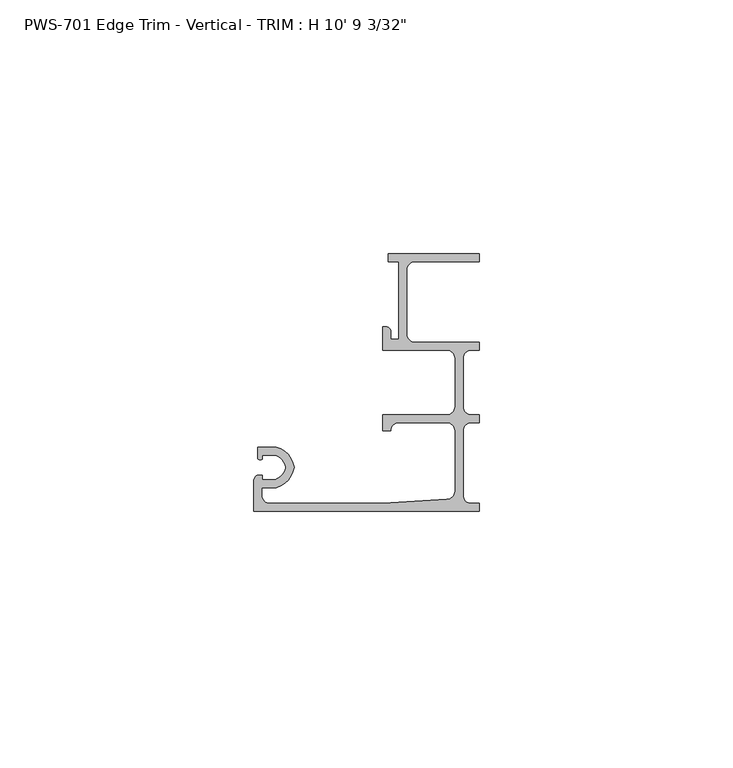
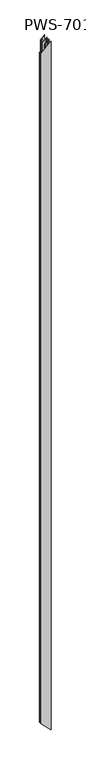
"""IFC4 building model written with IfcOpenShell, lengths in millimetres: proxy geometry."""

from ifc_helpers import new_model, si_unit, frame, origin, place, context, project, spatial, polyline, ellipse_curve, source, transform, mapped, element, save
from ifc_brep_helpers import plane_surface, cylinder_surface, revolved_surface, advanced_brep


def proxy_0ac21147(model_context):
    return source(origin(), model_context, "Body", "AdvancedBrep", [
        advanced_brep(
        [(26.9875, 15.875, 3261.51875), (26.9875, 15.875, 17.4625), (28.575, 17.4625, 15.875), (28.575, 17.4625, 3263.10625), (38.1, 17.4625, 6.35), (38.1, 17.4625, 3272.63125), (39.6875, 15.875, 4.7625), (39.6875, 15.875, 3274.21875), (39.6875, 3.97002, 4.7625), (39.6875, 3.97002, 3274.21875), (38.1, 2.38252, 6.35), (38.1, 2.38252, 3272.63125), (25.4, 1.5875, 19.05), (25.4, 1.5875, 3259.93125), (3.175, 1.5875, 41.275), (3.175, 1.5875, 3237.70625), (1.5875, 3.175, 42.8625), (1.5875, 3.175, 3236.11875), (1.5875, 4.699, 42.8625), (1.5875, 4.699, 3236.11875), (4.4357599, 4.699, 40.0142401), (4.4357599, 4.699, 3238.9670099), (7.9585261, 8.6995, 36.4914739), (7.9585261, 8.6995, 3242.4897761), (4.4357599, 12.7, 40.0142401), (4.4357599, 12.7, 3238.9670099), (0.762, 12.7, 43.688), (0.762, 12.7, 3235.29325), (0.762, 10.3627194, 43.688), (0.762, 10.3627194, 3235.29325), (1.6997088, 10.2659469, 42.7502912), (1.6997088, 10.2659469, 3236.2309588), (1.6997088, 11.1125, 42.7502912), (1.6997088, 11.1125, 3236.2309588), (4.207924, 11.1125, 40.242076), (4.207924, 11.1125, 3238.739174), (6.35, 8.6995, 38.1), (6.35, 8.6995, 3240.88125), (4.207924, 6.2865, 40.242076), (4.207924, 6.2865, 3238.739174), (1.6997088, 6.2865, 42.7502912), (1.6997088, 6.2865, 3236.2309588), (1.6997088, 7.1755, 42.7502912), (1.6997088, 7.1755, 3236.2309588), (0.9083659, 7.1755, 43.5416341), (0.9083659, 7.1755, 3235.4396159), (0.0, 6.0569064, 44.45), (0.0, 6.0569064, 3234.53125), (0.0, 0.0, 44.45), (0.0, 0.0, 3234.53125), (44.45, 0.0, 0.0), (44.45, 0.0, 3278.98125), (44.45, 1.5875, 0.0), (44.45, 1.5875, 3278.98125), (42.8625, 1.5875, 1.5875), (42.8625, 1.5875, 3277.39375), (41.275, 3.175, 3.175), (41.275, 3.175, 3275.80625), (41.275, 15.875, 3.175), (41.275, 15.875, 3275.80625), (42.8625, 17.4625, 1.5875), (42.8625, 17.4625, 3277.39375), (44.45, 17.4625, 0.0), (44.45, 17.4625, 3278.98125), (44.45, 19.05, 0.0), (44.45, 19.05, 3278.98125), (42.8625, 19.05, 1.5875), (42.8625, 19.05, 3277.39375), (41.275, 20.6375, 3.175), (41.275, 20.6375, 3275.80625), (41.275, 30.1625, 3.175), (41.275, 30.1625, 3275.80625), (42.8625, 31.75, 1.5875), (42.8625, 31.75, 3277.39375), (44.45, 31.75, 0.0), (44.45, 31.75, 3278.98125), (44.45, 33.3375, 0.0), (44.45, 33.3375, 3278.98125), (31.75, 33.3375, 12.7), (31.75, 33.3375, 3266.28125), (30.1625, 34.925, 14.2875), (30.1625, 34.925, 3264.69375), (30.1625, 47.625, 14.2875), (30.1625, 47.625, 3264.69375), (31.75, 49.2125, 12.7), (31.75, 49.2125, 3266.28125), (44.45, 49.2125, 0.0), (44.45, 49.2125, 3278.98125), (44.45, 50.8, 0.0), (44.45, 50.8, 3278.98125), (26.543, 50.8, 17.907), (26.543, 50.8, 3261.07425), (26.543, 49.2125, 17.907), (26.543, 49.2125, 3261.07425), (28.575, 49.2125, 15.875), (28.575, 49.2125, 3263.10625), (28.575, 33.9725, 15.875), (28.575, 33.9725, 3263.10625), (26.9875, 33.9725, 17.4625), (26.9875, 33.9725, 3261.51875), (26.9875, 35.55873, 17.4625), (26.9875, 35.55873, 3261.51875), (26.19248, 36.35375, 18.25752), (26.19248, 36.35375, 3260.72373), (25.4, 36.35375, 19.05), (25.4, 36.35375, 3259.93125), (25.4, 31.75, 19.05), (25.4, 31.75, 3259.93125), (38.1, 31.75, 6.35), (38.1, 31.75, 3272.63125), (39.6875, 30.1625, 4.7625), (39.6875, 30.1625, 3274.21875), (39.6875, 20.6375, 4.7625), (39.6875, 20.6375, 3274.21875), (38.1, 19.05, 6.35), (38.1, 19.05, 3272.63125), (25.4, 19.05, 19.05), (25.4, 19.05, 3259.93125), (25.4, 15.875, 19.05), (25.4, 15.875, 3259.93125)],
        [
            (0, 1),
            (1, 2, ellipse_curve(frame((28.575, 15.875, 15.875), z_axis=(-0.7071067811865491, 0.0, -0.7071067811865459), x_axis=(0.7071067811865459, 0.0, -0.707106781186549)), 2.245064, 1.5875)),
            (2, 3),
            (3, 0, ellipse_curve(frame((28.575, 15.875, 3263.10625), z_axis=(-0.7071067811865449, 0.0, 0.7071067811865501), x_axis=(-0.7071067811865501, 0.0, -0.7071067811865449)), 2.245064, 1.5875)),
            (2, 4),
            (4, 5),
            (5, 3),
            (4, 6, ellipse_curve(frame((38.1, 15.875, 6.35), z_axis=(-0.7071067811865491, 0.0, -0.7071067811865459), x_axis=(0.7071067811865459, 0.0, -0.707106781186549)), 2.245064, 1.5875)),
            (6, 7),
            (7, 5, ellipse_curve(frame((38.1, 15.875, 3272.63125), z_axis=(-0.7071067811865449, 0.0, 0.7071067811865501), x_axis=(-0.7071067811865501, 0.0, -0.7071067811865449)), 2.245064, 1.5875)),
            (6, 8),
            (8, 9),
            (9, 7),
            (8, 10, ellipse_curve(frame((38.1, 3.97002, 6.35), z_axis=(-0.7071067811865491, 0.0, -0.7071067811865459), x_axis=(0.7071067811865459, 0.0, -0.707106781186549)), 2.245064, 1.5875)),
            (10, 11),
            (11, 9, ellipse_curve(frame((38.1, 3.97002, 3272.63125), z_axis=(-0.7071067811865449, 0.0, 0.7071067811865501), x_axis=(-0.7071067811865501, 0.0, -0.7071067811865449)), 2.245064, 1.5875)),
            (10, 12),
            (12, 13),
            (13, 11),
            (12, 14),
            (14, 15),
            (15, 13),
            (14, 16, ellipse_curve(frame((3.175, 3.175, 41.275), z_axis=(-0.7071067811865491, 0.0, -0.7071067811865459), x_axis=(0.7071067811865459, 0.0, -0.707106781186549)), 2.245064, 1.5875)),
            (16, 17),
            (17, 15, ellipse_curve(frame((3.175, 3.175, 3237.70625), z_axis=(-0.7071067811865449, 0.0, 0.7071067811865501), x_axis=(-0.7071067811865501, 0.0, -0.7071067811865449)), 2.245064, 1.5875)),
            (16, 18),
            (18, 19),
            (19, 17),
            (18, 20),
            (20, 21),
            (21, 19),
            (20, 22, ellipse_curve(frame((3.2089841, 9.3305673, 41.2410159), z_axis=(0.7071067811865491, 0.0, 0.7071067811865459), x_axis=(-0.7071067811865459, 0.0, 0.707106781186549)), 6.7758977, 4.7912832)),
            (22, 23),
            (23, 21, ellipse_curve(frame((3.2089841, 9.3305673, 3237.7402341), z_axis=(0.7071067811865449, 0.0, -0.7071067811865501), x_axis=(0.7071067811865501, 0.0, 0.7071067811865449)), 6.7758977, 4.7912832)),
            (22, 24, ellipse_curve(frame((3.2089841, 8.0684327, 41.2410159), z_axis=(0.7071067811865491, 0.0, 0.7071067811865459), x_axis=(-0.7071067811865459, 0.0, 0.707106781186549)), 6.7758977, 4.7912832)),
            (24, 25),
            (25, 23, ellipse_curve(frame((3.2089841, 8.0684327, 3237.7402341), z_axis=(0.7071067811865449, 0.0, -0.7071067811865501), x_axis=(0.7071067811865501, 0.0, 0.7071067811865449)), 6.7758977, 4.7912832)),
            (24, 26),
            (26, 27),
            (27, 25),
            (26, 28),
            (28, 29),
            (29, 27),
            (28, 30, ellipse_curve(frame((1.3351034, 11.3244879, 43.1148966), z_axis=(0.7071067811865491, 0.0, 0.7071067811865459), x_axis=(-0.7071067811865459, 0.0, 0.707106781186549)), 1.583317, 1.1195742)),
            (30, 31),
            (31, 29, ellipse_curve(frame((1.3351034, 11.3244879, 3235.8663534), z_axis=(0.7071067811865449, 0.0, -0.7071067811865501), x_axis=(0.7071067811865501, 0.0, 0.7071067811865449)), 1.583317, 1.1195742)),
            (30, 32),
            (32, 33),
            (33, 31),
            (32, 34),
            (34, 35),
            (35, 33),
            (34, 36, ellipse_curve(frame((3.2089841, 8.0684327, 41.2410159), z_axis=(-0.7071067811865491, 0.0, -0.7071067811865459), x_axis=(0.7071067811865459, 0.0, -0.707106781186549)), 4.5308337, 3.2037832)),
            (36, 37),
            (37, 35, ellipse_curve(frame((3.2089841, 8.0684327, 3237.7402341), z_axis=(-0.7071067811865449, 0.0, 0.7071067811865501), x_axis=(-0.7071067811865501, 0.0, -0.7071067811865449)), 4.5308337, 3.2037832)),
            (36, 38, ellipse_curve(frame((3.2089841, 9.3305673, 41.2410159), z_axis=(-0.7071067811865491, 0.0, -0.7071067811865459), x_axis=(0.7071067811865459, 0.0, -0.707106781186549)), 4.5308337, 3.2037832)),
            (38, 39),
            (39, 37, ellipse_curve(frame((3.2089841, 9.3305673, 3237.7402341), z_axis=(-0.7071067811865449, 0.0, 0.7071067811865501), x_axis=(-0.7071067811865501, 0.0, -0.7071067811865449)), 4.5308337, 3.2037832)),
            (38, 40),
            (40, 41),
            (41, 39),
            (40, 42),
            (42, 43),
            (43, 41),
            (42, 44),
            (44, 45),
            (45, 43),
            (44, 46, ellipse_curve(frame((1.1429206, 6.0569064, 43.3070794), z_axis=(0.7071067811865491, 0.0, 0.7071067811865459), x_axis=(-0.7071067811865459, 0.0, 0.707106781186549)), 1.6163338, 1.1429206)),
            (46, 47),
            (47, 45, ellipse_curve(frame((1.1429206, 6.0569064, 3235.6741706), z_axis=(0.7071067811865449, 0.0, -0.7071067811865501), x_axis=(0.7071067811865501, 0.0, 0.7071067811865449)), 1.6163338, 1.1429206)),
            (46, 48),
            (48, 49),
            (49, 47),
            (50, 51),
            (51, 49),
            (48, 50),
            (50, 52),
            (52, 53),
            (53, 51),
            (52, 54),
            (54, 55),
            (55, 53),
            (54, 56, ellipse_curve(frame((42.8625, 3.175, 1.5875), z_axis=(-0.7071067811865491, 0.0, -0.7071067811865459), x_axis=(0.7071067811865459, 0.0, -0.707106781186549)), 2.245064, 1.5875)),
            (56, 57),
            (57, 55, ellipse_curve(frame((42.8625, 3.175, 3277.39375), z_axis=(-0.7071067811865449, 0.0, 0.7071067811865501), x_axis=(-0.7071067811865501, 0.0, -0.7071067811865449)), 2.245064, 1.5875)),
            (56, 58),
            (58, 59),
            (59, 57),
            (58, 60, ellipse_curve(frame((42.8625, 15.875, 1.5875), z_axis=(-0.7071067811865491, 0.0, -0.7071067811865459), x_axis=(0.7071067811865459, 0.0, -0.707106781186549)), 2.245064, 1.5875)),
            (60, 61),
            (61, 59, ellipse_curve(frame((42.8625, 15.875, 3277.39375), z_axis=(-0.7071067811865449, 0.0, 0.7071067811865501), x_axis=(-0.7071067811865501, 0.0, -0.7071067811865449)), 2.245064, 1.5875)),
            (62, 63),
            (63, 61),
            (60, 62),
            (62, 64),
            (64, 65),
            (65, 63),
            (64, 66),
            (66, 67),
            (67, 65),
            (66, 68, ellipse_curve(frame((42.8625, 20.6375, 1.5875), z_axis=(-0.7071067811865491, 0.0, -0.7071067811865459), x_axis=(0.7071067811865459, 0.0, -0.707106781186549)), 2.245064, 1.5875)),
            (68, 69),
            (69, 67, ellipse_curve(frame((42.8625, 20.6375, 3277.39375), z_axis=(-0.7071067811865449, 0.0, 0.7071067811865501), x_axis=(-0.7071067811865501, 0.0, -0.7071067811865449)), 2.245064, 1.5875)),
            (68, 70),
            (70, 71),
            (71, 69),
            (70, 72, ellipse_curve(frame((42.8625, 30.1625, 1.5875), z_axis=(-0.7071067811865491, 0.0, -0.7071067811865459), x_axis=(0.7071067811865459, 0.0, -0.707106781186549)), 2.245064, 1.5875)),
            (72, 73),
            (73, 71, ellipse_curve(frame((42.8625, 30.1625, 3277.39375), z_axis=(-0.7071067811865449, 0.0, 0.7071067811865501), x_axis=(-0.7071067811865501, 0.0, -0.7071067811865449)), 2.245064, 1.5875)),
            (74, 75),
            (75, 73),
            (72, 74),
            (74, 76),
            (76, 77),
            (77, 75),
            (76, 78),
            (78, 79),
            (79, 77),
            (78, 80, ellipse_curve(frame((31.75, 34.925, 12.7), z_axis=(-0.7071067811865491, 0.0, -0.7071067811865459), x_axis=(0.7071067811865459, 0.0, -0.707106781186549)), 2.245064, 1.5875)),
            (80, 81),
            (81, 79, ellipse_curve(frame((31.75, 34.925, 3266.28125), z_axis=(-0.7071067811865449, 0.0, 0.7071067811865501), x_axis=(-0.7071067811865501, 0.0, -0.7071067811865449)), 2.245064, 1.5875)),
            (80, 82),
            (82, 83),
            (83, 81),
            (82, 84, ellipse_curve(frame((31.75, 47.625, 12.7), z_axis=(-0.7071067811865491, 0.0, -0.7071067811865459), x_axis=(0.7071067811865459, 0.0, -0.707106781186549)), 2.245064, 1.5875)),
            (84, 85),
            (85, 83, ellipse_curve(frame((31.75, 47.625, 3266.28125), z_axis=(-0.7071067811865449, 0.0, 0.7071067811865501), x_axis=(-0.7071067811865501, 0.0, -0.7071067811865449)), 2.245064, 1.5875)),
            (86, 87),
            (87, 85),
            (84, 86),
            (86, 88),
            (88, 89),
            (89, 87),
            (88, 90),
            (90, 91),
            (91, 89),
            (90, 92),
            (92, 93),
            (93, 91),
            (92, 94),
            (94, 95),
            (95, 93),
            (94, 96),
            (96, 97),
            (97, 95),
            (96, 98),
            (98, 99),
            (99, 97),
            (98, 100),
            (100, 101),
            (101, 99),
            (100, 102, ellipse_curve(frame((26.19248, 35.55873, 18.25752), z_axis=(0.7071067811865491, 0.0, 0.7071067811865459), x_axis=(-0.7071067811865459, 0.0, 0.707106781186549)), 1.1243281, 0.79502)),
            (102, 103),
            (103, 101, ellipse_curve(frame((26.19248, 35.55873, 3260.72373), z_axis=(0.7071067811865449, 0.0, -0.7071067811865501), x_axis=(0.7071067811865501, 0.0, 0.7071067811865449)), 1.1243281, 0.79502)),
            (102, 104),
            (104, 105),
            (105, 103),
            (104, 106),
            (106, 107),
            (107, 105),
            (106, 108),
            (108, 109),
            (109, 107),
            (108, 110, ellipse_curve(frame((38.1, 30.1625, 6.35), z_axis=(-0.7071067811865491, 0.0, -0.7071067811865459), x_axis=(0.7071067811865459, 0.0, -0.707106781186549)), 2.245064, 1.5875)),
            (110, 111),
            (111, 109, ellipse_curve(frame((38.1, 30.1625, 3272.63125), z_axis=(-0.7071067811865449, 0.0, 0.7071067811865501), x_axis=(-0.7071067811865501, 0.0, -0.7071067811865449)), 2.245064, 1.5875)),
            (110, 112),
            (112, 113),
            (113, 111),
            (112, 114, ellipse_curve(frame((38.1, 20.6375, 6.35), z_axis=(-0.7071067811865491, 0.0, -0.7071067811865459), x_axis=(0.7071067811865459, 0.0, -0.707106781186549)), 2.245064, 1.5875)),
            (114, 115),
            (115, 113, ellipse_curve(frame((38.1, 20.6375, 3272.63125), z_axis=(-0.7071067811865449, 0.0, 0.7071067811865501), x_axis=(-0.7071067811865501, 0.0, -0.7071067811865449)), 2.245064, 1.5875)),
            (114, 116),
            (116, 117),
            (117, 115),
            (116, 118),
            (118, 119),
            (119, 117),
            (0, 119),
            (118, 1),
        ],
        [
            revolved_surface(polyline([(30.162499999999998, 15.875, 14.287500021402202), (30.162499999999998, 15.875, 3264.6937499785977)]), (28.575, 15.875, 0.0), (0.0, 0.0, -1.0)),
            plane_surface(frame((28.575, 17.4625, 3278.98125), z_axis=(0.0, -1.0, 0.0), x_axis=(0.0, 0.0, -1.0))),
            revolved_surface(polyline([(39.6875, 15.875, 4.7625), (39.6875, 15.875, 3274.21875)]), (38.1, 15.875, 0.0), (0.0, 0.0, -1.0)),
            plane_surface(frame((39.6875, 15.875, 3278.98125), z_axis=(-1.0, 0.0, 0.0), x_axis=(0.0, 0.0, -1.0))),
            revolved_surface(polyline([(39.6875, 3.97002, 4.7625), (39.6875, 3.97002, 3274.21875)]), (38.1, 3.97002, 0.0), (0.0, 0.0, -1.0)),
            plane_surface(frame((38.1, 2.38252, 3278.98125), z_axis=(-0.062477702137024124, 0.9980463600132398, 0.0), x_axis=(0.0, 0.0, -1.0))),
            plane_surface(frame((25.4, 1.5875, 3278.98125), z_axis=(0.0, 1.0, 0.0), x_axis=(0.0, 0.0, -1.0))),
            revolved_surface(polyline([(4.762499999999999, 3.175, 39.6875000214022), (4.762499999999999, 3.175, 3239.293749978598)]), (3.175, 3.175, 0.0), (0.0, 0.0, -1.0)),
            plane_surface(frame((1.5875, 3.175, 3278.98125), z_axis=(1.0, 0.0, 0.0), x_axis=(0.0, 0.0, -1.0))),
            plane_surface(frame((1.5875, 4.699, 3278.98125), z_axis=(0.0, -1.0, 0.0), x_axis=(0.0, 0.0, -1.0))),
            cylinder_surface(frame((3.2089841, 9.3305673, 0.0), z_axis=(0.0, 0.0, 1.0), x_axis=(1.0, 0.0, 0.0)), 4.7912832),
            cylinder_surface(frame((3.2089841, 8.0684327, 0.0), z_axis=(0.0, 0.0, 1.0), x_axis=(1.0, 0.0, 0.0)), 4.7912832),
            plane_surface(frame((4.4357599, 12.7, 3278.98125), z_axis=(0.0, 1.0, 0.0), x_axis=(0.0, 0.0, -1.0))),
            plane_surface(frame((0.762, 12.7, 3278.98125), z_axis=(-1.0, 0.0, 0.0), x_axis=(0.0, 0.0, -1.0))),
            cylinder_surface(frame((1.3351034, 11.3244879, 0.0), z_axis=(0.0, 0.0, 1.0), x_axis=(1.0, 0.0, 0.0)), 1.1195742),
            plane_surface(frame((1.6997088, 10.2659469, 3278.98125), z_axis=(1.0, 0.0, 0.0), x_axis=(0.0, 0.0, -1.0))),
            plane_surface(frame((1.6997088, 11.1125, 3278.98125), z_axis=(4.504476212404173e-12, -1.0, 0.0), x_axis=(0.0, 0.0, -1.0))),
            revolved_surface(polyline([(6.4127673000000005, 8.0684327, 38.037232666301456), (6.4127673000000005, 8.0684327, 3240.944017333699)]), (3.2089841, 8.0684327, 0.0), (0.0, 0.0, -1.0)),
            revolved_surface(polyline([(6.4127673000000005, 9.3305673, 38.037232666301456), (6.4127673000000005, 9.3305673, 3240.944017333699)]), (3.2089841, 9.3305673, 0.0), (0.0, 0.0, -1.0)),
            plane_surface(frame((4.207924, 6.2865, 3278.98125), z_axis=(0.0, 1.0, 0.0), x_axis=(0.0, 0.0, -1.0))),
            plane_surface(frame((1.6997088, 6.2865, 3278.98125), z_axis=(1.0, 0.0, 0.0), x_axis=(0.0, 0.0, -1.0))),
            plane_surface(frame((1.6997088, 7.1755, 3278.98125), z_axis=(0.0, 1.0, 0.0), x_axis=(0.0, 0.0, -1.0))),
            cylinder_surface(frame((1.1429206, 6.0569064, 0.0), z_axis=(0.0, 0.0, 1.0), x_axis=(1.0, 0.0, 0.0)), 1.1429206),
            plane_surface(frame((0.0, 6.0569064, 3278.98125), z_axis=(-1.0, 0.0, 0.0), x_axis=(0.0, 0.0, -1.0))),
            plane_surface(frame((0.0, 0.0, 3278.98125), z_axis=(0.0, -1.0, 0.0), x_axis=(0.0, 0.0, -1.0))),
            plane_surface(frame((44.45, 0.0, 3278.98125), z_axis=(1.0, 0.0, 0.0), x_axis=(0.0, 0.0, -1.0))),
            plane_surface(frame((44.45, 1.5875, 3278.98125), z_axis=(0.0, 1.0, 0.0), x_axis=(0.0, 0.0, -1.0))),
            revolved_surface(polyline([(44.449999999999996, 3.175, 2.1402201344500327e-08), (44.449999999999996, 3.175, 3278.981249978598)]), (42.8625, 3.175, 0.0), (0.0, 0.0, -1.0)),
            plane_surface(frame((41.275, 3.175, 3278.98125), z_axis=(1.0, 0.0, 0.0), x_axis=(0.0, 0.0, -1.0))),
            revolved_surface(polyline([(44.449999999999996, 15.875, 2.1402201344500327e-08), (44.449999999999996, 15.875, 3278.981249978598)]), (42.8625, 15.875, 0.0), (0.0, 0.0, -1.0)),
            plane_surface(frame((42.8625, 17.4625, 3278.98125), z_axis=(0.0, -1.0, 0.0), x_axis=(0.0, 0.0, -1.0))),
            plane_surface(frame((44.45, 17.4625, 3278.98125), z_axis=(1.0, 0.0, 0.0), x_axis=(0.0, 0.0, -1.0))),
            plane_surface(frame((44.45, 19.05, 3278.98125), z_axis=(0.0, 1.0, 0.0), x_axis=(0.0, 0.0, -1.0))),
            revolved_surface(polyline([(44.449999999999996, 20.6375, 2.1402201344500327e-08), (44.449999999999996, 20.6375, 3278.981249978598)]), (42.8625, 20.6375, 0.0), (0.0, 0.0, -1.0)),
            plane_surface(frame((41.275, 20.6375, 3278.98125), z_axis=(1.0, 0.0, 0.0), x_axis=(0.0, 0.0, -1.0))),
            revolved_surface(polyline([(44.449999999999996, 30.1625, 2.1402201344500327e-08), (44.449999999999996, 30.1625, 3278.981249978598)]), (42.8625, 30.1625, 0.0), (0.0, 0.0, -1.0)),
            plane_surface(frame((42.8625, 31.75, 3278.98125), z_axis=(0.0, -1.0, 0.0), x_axis=(0.0, 0.0, -1.0))),
            plane_surface(frame((44.45, 31.75, 3278.98125), z_axis=(1.0, 0.0, 0.0), x_axis=(0.0, 0.0, -1.0))),
            plane_surface(frame((44.45, 33.3375, 3278.98125), z_axis=(0.0, 1.0, 0.0), x_axis=(0.0, 0.0, -1.0))),
            revolved_surface(polyline([(33.3375, 34.925, 11.112500021402202), (33.3375, 34.925, 3267.868749978598)]), (31.75, 34.925, 0.0), (0.0, 0.0, -1.0)),
            plane_surface(frame((30.1625, 34.925, 3278.98125), z_axis=(1.0, 0.0, 0.0), x_axis=(0.0, 0.0, -1.0))),
            revolved_surface(polyline([(33.3375, 47.625, 11.112500021402202), (33.3375, 47.625, 3267.868749978598)]), (31.75, 47.625, 0.0), (0.0, 0.0, -1.0)),
            plane_surface(frame((31.75, 49.2125, 3278.98125), z_axis=(0.0, -1.0, 0.0), x_axis=(0.0, 0.0, -1.0))),
            plane_surface(frame((44.45, 49.2125, 3278.98125), z_axis=(1.0, 0.0, 0.0), x_axis=(0.0, 0.0, -1.0))),
            plane_surface(frame((44.45, 50.8, 3278.98125), z_axis=(0.0, 1.0, 0.0), x_axis=(0.0, 0.0, -1.0))),
            plane_surface(frame((26.543, 50.8, 3278.98125), z_axis=(-1.0, 0.0, 0.0), x_axis=(0.0, 0.0, -1.0))),
            plane_surface(frame((26.543, 49.2125, 3278.98125), z_axis=(0.0, -1.0, 0.0), x_axis=(0.0, 0.0, -1.0))),
            plane_surface(frame((28.575, 49.2125, 3278.98125), z_axis=(-1.0, 0.0, 0.0), x_axis=(0.0, 0.0, -1.0))),
            plane_surface(frame((28.575, 33.9725, 3278.98125), z_axis=(0.0, 1.0, 0.0), x_axis=(0.0, 0.0, -1.0))),
            plane_surface(frame((26.9875, 33.9725, 3278.98125), z_axis=(1.0, 0.0, 0.0), x_axis=(0.0, 0.0, -1.0))),
            cylinder_surface(frame((26.19248, 35.55873, 0.0), z_axis=(0.0, 0.0, 1.0), x_axis=(1.0, 0.0, 0.0)), 0.79502),
            plane_surface(frame((26.19248, 36.35375, 3278.98125), z_axis=(0.0, 1.0, 0.0), x_axis=(0.0, 0.0, -1.0))),
            plane_surface(frame((25.4, 36.35375, 3278.98125), z_axis=(-1.0, 0.0, 0.0), x_axis=(0.0, 0.0, -1.0))),
            plane_surface(frame((25.4, 31.75, 3278.98125), z_axis=(0.0, -1.0, 0.0), x_axis=(0.0, 0.0, -1.0))),
            revolved_surface(polyline([(39.6875, 30.1625, 4.7625), (39.6875, 30.1625, 3274.21875)]), (38.1, 30.1625, 0.0), (0.0, 0.0, -1.0)),
            plane_surface(frame((39.6875, 30.1625, 3278.98125), z_axis=(-1.0, 0.0, 0.0), x_axis=(0.0, 0.0, -1.0))),
            revolved_surface(polyline([(39.6875, 20.6375, 4.7625), (39.6875, 20.6375, 3274.21875)]), (38.1, 20.6375, 0.0), (0.0, 0.0, -1.0)),
            plane_surface(frame((38.1, 19.05, 3278.98125), z_axis=(0.0, 1.0, 0.0), x_axis=(0.0, 0.0, -1.0))),
            plane_surface(frame((25.4, 19.05, 3278.98125), z_axis=(-1.0, 0.0, 0.0), x_axis=(0.0, 0.0, -1.0))),
            plane_surface(frame((25.4, 15.875, 3278.98125), z_axis=(0.0, -1.0, 0.0), x_axis=(0.0, 0.0, -1.0))),
            plane_surface(frame((44.45, 0.0, 0.0), z_axis=(-0.7071067811865491, 0.0, -0.7071067811865459), x_axis=(0.0, 1.0, 0.0))),
            plane_surface(frame((0.0, 0.0, 3234.53125), z_axis=(-0.7071067811865449, 0.0, 0.7071067811865501), x_axis=(0.0, 1.0, 0.0))),
        ],
        [
            (0, [[1, 2, 3, 4]]),
            (1, [[-3, 5, 6, 7]]),
            (2, [[-6, 8, 9, 10]]),
            (3, [[-9, 11, 12, 13]]),
            (4, [[-12, 14, 15, 16]]),
            (5, [[-15, 17, 18, 19]]),
            (6, [[-18, 20, 21, 22]]),
            (7, [[-21, 23, 24, 25]]),
            (8, [[-24, 26, 27, 28]]),
            (9, [[-27, 29, 30, 31]]),
            (10, [[-30, 32, 33, 34]]),
            (11, [[-33, 35, 36, 37]]),
            (12, [[-36, 38, 39, 40]]),
            (13, [[-39, 41, 42, 43]]),
            (14, [[-42, 44, 45, 46]]),
            (15, [[-45, 47, 48, 49]]),
            (16, [[-48, 50, 51, 52]]),
            (17, [[-51, 53, 54, 55]]),
            (18, [[-54, 56, 57, 58]]),
            (19, [[-57, 59, 60, 61]]),
            (20, [[-60, 62, 63, 64]]),
            (21, [[-63, 65, 66, 67]]),
            (22, [[-66, 68, 69, 70]]),
            (23, [[-69, 71, 72, 73]]),
            (24, [[74, 75, -72, 76]]),
            (25, [[-74, 77, 78, 79]]),
            (26, [[-78, 80, 81, 82]]),
            (27, [[-81, 83, 84, 85]]),
            (28, [[-84, 86, 87, 88]]),
            (29, [[-87, 89, 90, 91]]),
            (30, [[92, 93, -90, 94]]),
            (31, [[-92, 95, 96, 97]]),
            (32, [[-96, 98, 99, 100]]),
            (33, [[-99, 101, 102, 103]]),
            (34, [[-102, 104, 105, 106]]),
            (35, [[-105, 107, 108, 109]]),
            (36, [[110, 111, -108, 112]]),
            (37, [[-110, 113, 114, 115]]),
            (38, [[-114, 116, 117, 118]]),
            (39, [[-117, 119, 120, 121]]),
            (40, [[-120, 122, 123, 124]]),
            (41, [[-123, 125, 126, 127]]),
            (42, [[128, 129, -126, 130]]),
            (43, [[-128, 131, 132, 133]]),
            (44, [[-132, 134, 135, 136]]),
            (45, [[-135, 137, 138, 139]]),
            (46, [[-138, 140, 141, 142]]),
            (47, [[-141, 143, 144, 145]]),
            (48, [[-144, 146, 147, 148]]),
            (49, [[-147, 149, 150, 151]]),
            (50, [[-150, 152, 153, 154]]),
            (51, [[-153, 155, 156, 157]]),
            (52, [[-156, 158, 159, 160]]),
            (53, [[-159, 161, 162, 163]]),
            (54, [[-162, 164, 165, 166]]),
            (55, [[-165, 167, 168, 169]]),
            (56, [[-168, 170, 171, 172]]),
            (57, [[-171, 173, 174, 175]]),
            (58, [[-174, 176, 177, 178]]),
            (59, [[-1, 179, -177, 180]]),
            (60, [[-2, -180, -176, -173, -170, -167, -164, -161, -158, -155, -152, -149, -146, -143, -140, -137, -134, -131, -130, -125, -122, -119, -116, -113, -112, -107, -104, -101, -98, -95, -94, -89, -86, -83, -80, -77, -76, -71, -68, -65, -62, -59, -56, -53, -50, -47, -44, -41, -38, -35, -32, -29, -26, -23, -20, -17, -14, -11, -8, -5]]),
            (61, [[-4, -7, -10, -13, -16, -19, -22, -25, -28, -31, -34, -37, -40, -43, -46, -49, -52, -55, -58, -61, -64, -67, -70, -73, -75, -79, -82, -85, -88, -91, -93, -97, -100, -103, -106, -109, -111, -115, -118, -121, -124, -127, -129, -133, -136, -139, -142, -145, -148, -151, -154, -157, -160, -163, -166, -169, -172, -175, -178, -179]]),
        ],
    ),
    ])


if __name__ == "__main__":
    model = new_model("IFC4")
    model_context = context("Model", 3, world=origin())
    ifc_project = project(units=[si_unit("LENGTHUNIT", "METRE", prefix="MILLI")], contexts=[model_context])
    site = spatial("IfcSite", under=ifc_project)
    building = spatial("IfcBuilding", under=site)
    placement = place(None, origin())
    proxy_shape = proxy_0ac21147(model_context)
    element("IfcBuildingElementProxy", 1, Name="PWS-701 Edge Trim - Vertical - TRIM : H 10' 9 3/32\"", ObjectType="PWS-701 Edge Trim - Vertical - TRIM : H 10' 9 3/32\"", at=placement, inside=building, context=model_context, shape_type="MappedRepresentation", body=[
        mapped(proxy_shape, transform((0.0, 0.0, 0.0), x_axis=(1.0, 0.0, 0.0), y_axis=(0.0, 1.0, 0.0), z_axis=(0.0, 0.0, 1.0))),
    ])
    save(model, "model.ifc")
